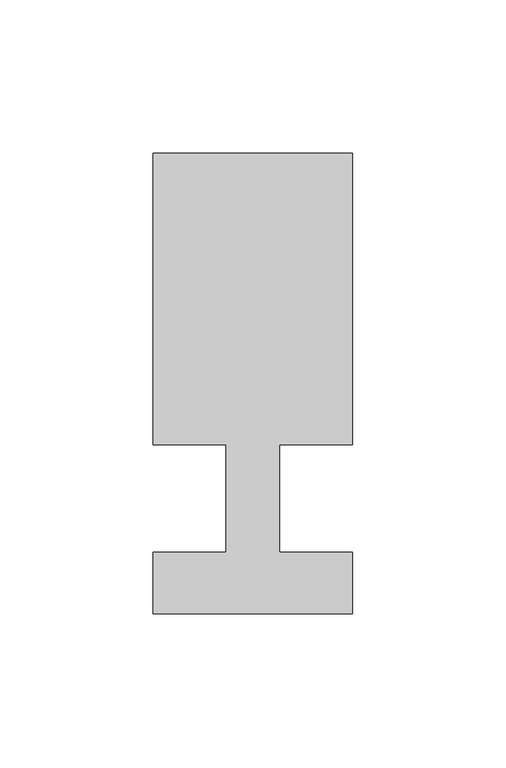
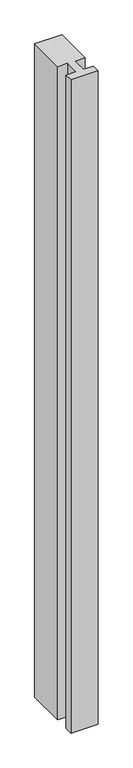
"""IFC4 building model written with IfcOpenShell, lengths in millimetres: member geometry."""

from ifc_helpers import new_model, si_unit, frame, origin, place, context, project, spatial, polyline, outline, extrude, source, transform, mapped, element, save


def member_ac791c28(model_context):
    return source(origin(), model_context, "Body", "SweptSolid", [
        extrude(outline(polyline([(-32.5, -37.0), (-32.5, -17.0), (-8.6875, -17.0), (-8.6875, 18.0), (-32.5, 18.0), (-32.5, 113.0), (32.5, 113.0), (32.5, 18.0), (8.6875, 18.0), (8.6875, -17.0), (32.5, -17.0), (32.5, -37.0), (-32.5, -37.0)])), frame((0.0, 0.0, -1650.0), z_axis=(0.0, 0.0, 1.0), x_axis=(1.0, 0.0, 0.0)), (0.0, 0.0, 1.0), 1650.0),
    ])


if __name__ == "__main__":
    model = new_model("IFC4")
    model_context = context("Model", 3, world=origin())
    ifc_project = project(units=[si_unit("LENGTHUNIT", "METRE", prefix="MILLI")], contexts=[model_context])
    site = spatial("IfcSite", under=ifc_project)
    building = spatial("IfcBuilding", under=site)
    placement = place(None, origin())
    member_shape = member_ac791c28(model_context)
    element("IfcMember", 1, at=placement, inside=building, context=model_context, shape_type="MappedRepresentation", body=[
        mapped(member_shape, transform((0.0, 0.0, 0.0), x_axis=(1.0, 0.0, 0.0), y_axis=(0.0, 1.0, 0.0), z_axis=(0.0, 0.0, 1.0))),
    ])
    save(model, "model.ifc")
